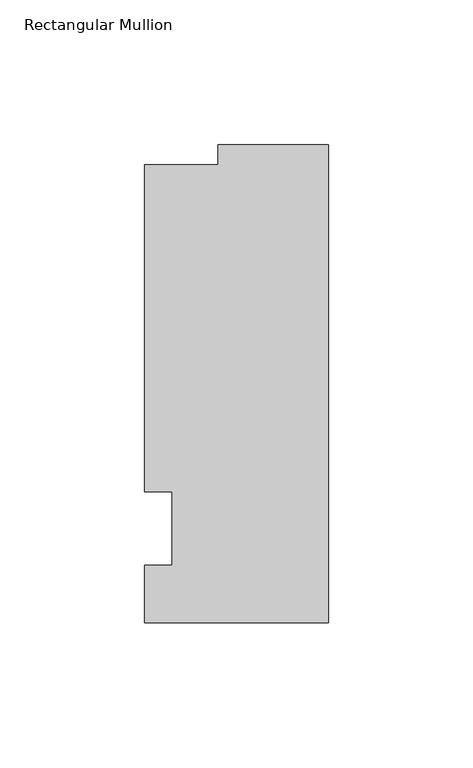
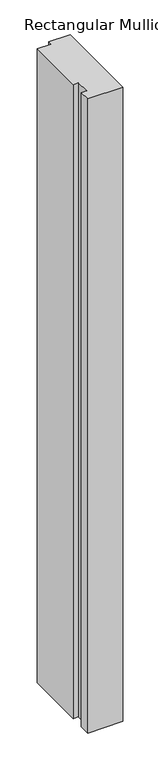
"""IFC4 building model written with IfcOpenShell, lengths in millimetres: member geometry, Rectangular Mullion."""

from ifc_helpers import new_model, si_unit, frame, origin, place, context, project, spatial, polyline, outline, extrude, source, transform, mapped, element, save


def rectangular_mullion_4970e0f5(model_context):
    return source(origin(), model_context, "Body", "SweptSolid", [
        extrude(outline(polyline([(-63.5, -32.54375), (-63.5, -12.7), (-53.975, -12.7), (-53.975, 12.7), (-63.5, 12.7), (-63.5, 125.59665), (-38.1, 125.59665), (-38.1, 132.55625), (0.0, 132.55625), (0.0, -32.54375), (-63.5, -32.54375)])), frame((0.0, 0.0, -1210.7333333), z_axis=(0.0, 0.0, 1.0), x_axis=(1.0, 0.0, 0.0)), (0.0, 0.0, 1.0), 1210.7333333),
    ])


if __name__ == "__main__":
    model = new_model("IFC4")
    model_context = context("Model", 3, world=origin())
    ifc_project = project(units=[si_unit("LENGTHUNIT", "METRE", prefix="MILLI")], contexts=[model_context])
    site = spatial("IfcSite", under=ifc_project)
    building = spatial("IfcBuilding", under=site)
    placement = place(None, origin())
    rectangular_mullion_shape = rectangular_mullion_4970e0f5(model_context)
    element("IfcMember", 1, ObjectType="Rectangular Mullion", at=placement, inside=building, context=model_context, shape_type="MappedRepresentation", body=[
        mapped(rectangular_mullion_shape, transform((0.0, 0.0, 0.0), x_axis=(1.0, 0.0, 0.0), y_axis=(0.0, 1.0, 0.0), z_axis=(0.0, 0.0, 1.0))),
    ])
    save(model, "model.ifc")
